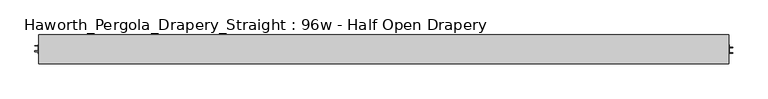
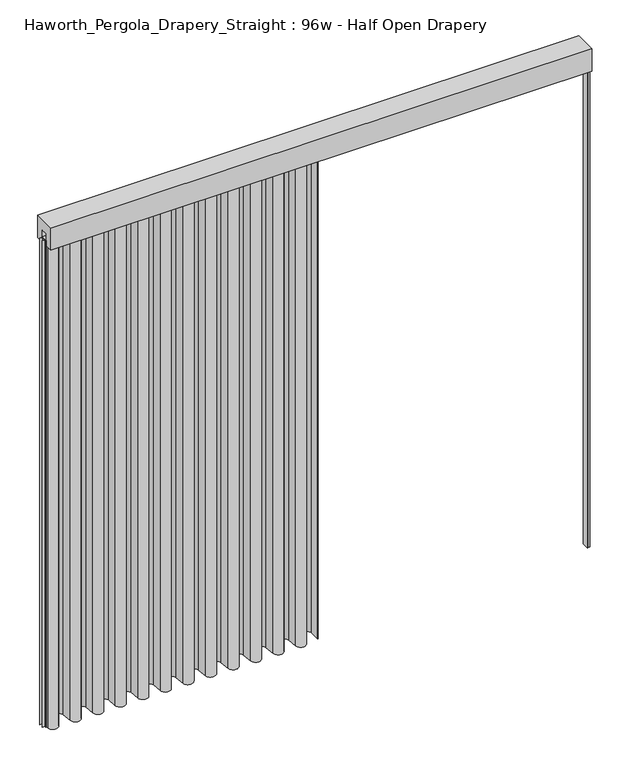
"""IFC4 building model written with IfcOpenShell, lengths in millimetres: furniture geometry, Haworth_Pergola_Drapery_Straight : 96w - Half Open Drapery."""

from ifc_helpers import new_model, si_unit, point, frame, frame_2d, origin, place, context, project, spatial, polyline, circle_curve, trimmed, segment, composite_curve, outline, extrude, source, transform, mapped, element, save


def haworth_pergola_drapery_straight_96w_half_open_drapery_98fae5b1(model_context):
    return source(origin(), model_context, "Body", "SweptSolid", [
        extrude(outline(polyline([(-50.8, 2438.4), (50.8, 2438.4), (50.8, 2331.8390625), (15.2182948, 2331.8390625), (15.2182948, 2388.7001663), (-15.2182948, 2388.7001663), (-15.2182948, 2331.8390625), (-50.8, 2331.8390625), (-50.8, 2438.4)])), frame((-1790.7, 0.0, 0.0), z_axis=(1.0, 0.0, 0.0), x_axis=(0.0, 1.0, 0.0)), (0.0, 0.0, 1.0), 2438.4),
        extrude(outline(composite_curve([segment(polyline([(-1788.7, -20.9840165), (-1788.7, 25.4000008), (-1787.90625, 25.4000008), (-1787.90625, -20.9840165)]), True, "CONTINUOUS"), segment(trimmed(circle_curve(frame_2d((-1765.2970217, -20.9840165)), 22.6092283), [point((-1787.90625, -20.9840165))], [point((-1742.779759, -23.0211916))], True, "CARTESIAN"), True, "CONTINUOUS"), segment(polyline([(-1742.779759, -23.0211916), (-1738.5801015, 23.3983779)]), True, "CONTINUOUS"), segment(trimmed(circle_curve(frame_2d((-1714.5, 21.2198101)), 24.17845), [point((-1738.5801015, 23.3983779))], [point((-1690.4198983, 23.3983756))], False, "CARTESIAN"), True, "CONTINUOUS"), segment(polyline([(-1690.4198983, 23.3983756), (-1686.2298605, -22.9149155)]), True, "CONTINUOUS"), segment(trimmed(circle_curve(frame_2d((-1663.7000023, -20.876603)), 22.621875), [point((-1686.2298605, -22.9149155))], [point((-1641.1701443, -22.9149177))], True, "CARTESIAN"), True, "CONTINUOUS"), segment(polyline([(-1641.1701443, -22.9149177), (-1637.0109007, 23.0579488)]), True, "CONTINUOUS"), segment(trimmed(circle_curve(frame_2d((-1612.9, 20.8765946)), 24.209375), [point((-1637.0109007, 23.0579488))], [point((-1588.7890991, 23.0579465))], False, "CARTESIAN"), True, "CONTINUOUS"), segment(polyline([(-1588.7890991, 23.0579465), (-1584.6298605, -22.9149157)]), True, "CONTINUOUS"), segment(trimmed(circle_curve(frame_2d((-1562.1000023, -20.8766032)), 22.621875), [point((-1584.6298605, -22.9149157))], [point((-1539.5701443, -22.9149178))], True, "CARTESIAN"), True, "CONTINUOUS"), segment(polyline([(-1539.5701443, -22.9149178), (-1535.4109007, 23.0579492)]), True, "CONTINUOUS"), segment(trimmed(circle_curve(frame_2d((-1511.3, 20.876595)), 24.209375), [point((-1535.4109007, 23.0579492))], [point((-1487.1890991, 23.0579469))], False, "CARTESIAN"), True, "CONTINUOUS"), segment(polyline([(-1487.1890991, 23.0579469), (-1483.0298605, -22.9149155)]), True, "CONTINUOUS"), segment(trimmed(circle_curve(frame_2d((-1460.5000023, -20.876603)), 22.621875), [point((-1483.0298605, -22.9149155))], [point((-1437.9701443, -22.9149177))], True, "CARTESIAN"), True, "CONTINUOUS"), segment(polyline([(-1437.9701443, -22.9149177), (-1433.7801015, 23.3983779)]), True, "CONTINUOUS"), segment(trimmed(circle_curve(frame_2d((-1409.7, 21.2198101)), 24.17845), [point((-1433.7801015, 23.3983779))], [point((-1385.6198983, 23.3983756))], False, "CARTESIAN"), True, "CONTINUOUS"), segment(polyline([(-1385.6198983, 23.3983756), (-1381.4298605, -22.9149155)]), True, "CONTINUOUS"), segment(trimmed(circle_curve(frame_2d((-1358.9000023, -20.876603)), 22.621875), [point((-1381.4298605, -22.9149155))], [point((-1336.3701443, -22.9149177))], True, "CARTESIAN"), True, "CONTINUOUS"), segment(polyline([(-1336.3701443, -22.9149177), (-1332.1801015, 23.3983779)]), True, "CONTINUOUS"), segment(trimmed(circle_curve(frame_2d((-1308.1, 21.2198101)), 24.17845), [point((-1332.1801015, 23.3983779))], [point((-1284.0198983, 23.3983756))], False, "CARTESIAN"), True, "CONTINUOUS"), segment(polyline([(-1284.0198983, 23.3983756), (-1279.8298605, -22.9149155)]), True, "CONTINUOUS"), segment(trimmed(circle_curve(frame_2d((-1257.3000023, -20.876603)), 22.621875), [point((-1279.8298605, -22.9149155))], [point((-1234.7701443, -22.9149177))], True, "CARTESIAN"), True, "CONTINUOUS"), segment(polyline([(-1234.7701443, -22.9149177), (-1230.5801015, 23.3983779)]), True, "CONTINUOUS"), segment(trimmed(circle_curve(frame_2d((-1206.5, 21.2198101)), 24.17845), [point((-1230.5801015, 23.3983779))], [point((-1182.4198983, 23.3983756))], False, "CARTESIAN"), True, "CONTINUOUS"), segment(polyline([(-1182.4198983, 23.3983756), (-1178.2298605, -22.9149155)]), True, "CONTINUOUS"), segment(trimmed(circle_curve(frame_2d((-1155.7000023, -20.876603)), 22.621875), [point((-1178.2298605, -22.9149155))], [point((-1133.1701443, -22.9149177))], True, "CARTESIAN"), True, "CONTINUOUS"), segment(polyline([(-1133.1701443, -22.9149177), (-1128.9801015, 23.3983779)]), True, "CONTINUOUS"), segment(trimmed(circle_curve(frame_2d((-1104.9, 21.2198101)), 24.17845), [point((-1128.9801015, 23.3983779))], [point((-1080.8198983, 23.3983756))], False, "CARTESIAN"), True, "CONTINUOUS"), segment(polyline([(-1080.8198983, 23.3983756), (-1076.6298605, -22.9149155)]), True, "CONTINUOUS"), segment(trimmed(circle_curve(frame_2d((-1054.1000023, -20.876603)), 22.621875), [point((-1076.6298605, -22.9149155))], [point((-1031.5701443, -22.9149177))], True, "CARTESIAN"), True, "CONTINUOUS"), segment(polyline([(-1031.5701443, -22.9149177), (-1027.3801015, 23.3983779)]), True, "CONTINUOUS"), segment(trimmed(circle_curve(frame_2d((-1003.3, 21.2198101)), 24.17845), [point((-1027.3801015, 23.3983779))], [point((-979.2198983, 23.3983756))], False, "CARTESIAN"), True, "CONTINUOUS"), segment(polyline([(-979.2198983, 23.3983756), (-975.0298605, -22.9149155)]), True, "CONTINUOUS"), segment(trimmed(circle_curve(frame_2d((-952.5000023, -20.876603)), 22.621875), [point((-975.0298605, -22.9149155))], [point((-929.9701443, -22.9149177))], True, "CARTESIAN"), True, "CONTINUOUS"), segment(polyline([(-929.9701443, -22.9149177), (-925.7801015, 23.3983779)]), True, "CONTINUOUS"), segment(trimmed(circle_curve(frame_2d((-901.7, 21.2198101)), 24.17845), [point((-925.7801015, 23.3983779))], [point((-877.6198983, 23.3983756))], False, "CARTESIAN"), True, "CONTINUOUS"), segment(polyline([(-877.6198983, 23.3983756), (-873.4298605, -22.9149155)]), True, "CONTINUOUS"), segment(trimmed(circle_curve(frame_2d((-850.9000023, -20.876603)), 22.621875), [point((-873.4298605, -22.9149155))], [point((-828.3701443, -22.9149177))], True, "CARTESIAN"), True, "CONTINUOUS"), segment(polyline([(-828.3701443, -22.9149177), (-824.1801015, 23.3983779)]), True, "CONTINUOUS"), segment(trimmed(circle_curve(frame_2d((-800.1, 21.2198101)), 24.17845), [point((-824.1801015, 23.3983779))], [point((-776.0198983, 23.3983756))], False, "CARTESIAN"), True, "CONTINUOUS"), segment(polyline([(-776.0198983, 23.3983756), (-771.8298605, -22.9149155)]), True, "CONTINUOUS"), segment(trimmed(circle_curve(frame_2d((-749.3000023, -20.876603)), 22.621875), [point((-771.8298605, -22.9149155))], [point((-726.7701443, -22.9149177))], True, "CARTESIAN"), True, "CONTINUOUS"), segment(polyline([(-726.7701443, -22.9149177), (-722.5801015, 23.3983779)]), True, "CONTINUOUS"), segment(trimmed(circle_curve(frame_2d((-698.5, 21.2198101)), 24.17845), [point((-722.5801015, 23.3983779))], [point((-674.4198983, 23.3983756))], False, "CARTESIAN"), True, "CONTINUOUS"), segment(polyline([(-674.4198983, 23.3983756), (-670.2298605, -22.9149155)]), True, "CONTINUOUS"), segment(trimmed(circle_curve(frame_2d((-647.7000023, -20.876603)), 22.621875), [point((-670.2298605, -22.9149155))], [point((-625.1701443, -22.9149177))], True, "CARTESIAN"), True, "CONTINUOUS"), segment(polyline([(-625.1701443, -22.9149177), (-620.9906181, 23.2821359)]), True, "CONTINUOUS"), segment(trimmed(circle_curve(frame_2d((-596.9451118, 21.106698)), 24.1437135), [point((-620.9906181, 23.2821359))], [point((-572.8013983, 21.106698))], False, "CARTESIAN"), True, "CONTINUOUS"), segment(polyline([(-572.8013983, 21.106698), (-572.8013983, -25.4000007), (-573.5951483, -25.4000007), (-573.5951483, 21.106698)]), True, "CONTINUOUS"), segment(trimmed(circle_curve(frame_2d((-596.9451118, 21.106698)), 23.3499635), [point((-573.5951483, 21.106698))], [point((-620.2000968, 23.2106161))], True, "CARTESIAN"), True, "CONTINUOUS"), segment(polyline([(-620.2000968, 23.2106161), (-624.3796229, -22.9864375)]), True, "CONTINUOUS"), segment(trimmed(circle_curve(frame_2d((-647.7000023, -20.876603)), 23.415625), [point((-624.3796229, -22.9864375))], [point((-671.0203818, -22.9864352))], False, "CARTESIAN"), True, "CONTINUOUS"), segment(polyline([(-671.0203818, -22.9864352), (-675.2104196, 23.3268558)]), True, "CONTINUOUS"), segment(trimmed(circle_curve(frame_2d((-698.5, 21.2198101)), 23.3847), [point((-675.2104196, 23.3268558))], [point((-721.7895802, 23.3268581))], True, "CARTESIAN"), True, "CONTINUOUS"), segment(polyline([(-721.7895802, 23.3268581), (-725.9796229, -22.9864375)]), True, "CONTINUOUS"), segment(trimmed(circle_curve(frame_2d((-749.3000023, -20.876603)), 23.415625), [point((-725.9796229, -22.9864375))], [point((-772.6203818, -22.9864352))], False, "CARTESIAN"), True, "CONTINUOUS"), segment(polyline([(-772.6203818, -22.9864352), (-776.8104196, 23.3268558)]), True, "CONTINUOUS"), segment(trimmed(circle_curve(frame_2d((-800.1, 21.2198101)), 23.3847), [point((-776.8104196, 23.3268558))], [point((-823.3895802, 23.3268581))], True, "CARTESIAN"), True, "CONTINUOUS"), segment(polyline([(-823.3895802, 23.3268581), (-827.5796229, -22.9864375)]), True, "CONTINUOUS"), segment(trimmed(circle_curve(frame_2d((-850.9000023, -20.876603)), 23.415625), [point((-827.5796229, -22.9864375))], [point((-874.2203818, -22.9864352))], False, "CARTESIAN"), True, "CONTINUOUS"), segment(polyline([(-874.2203818, -22.9864352), (-878.4104196, 23.3268558)]), True, "CONTINUOUS"), segment(trimmed(circle_curve(frame_2d((-901.7, 21.2198101)), 23.3847), [point((-878.4104196, 23.3268558))], [point((-924.9895802, 23.3268581))], True, "CARTESIAN"), True, "CONTINUOUS"), segment(polyline([(-924.9895802, 23.3268581), (-929.1796229, -22.9864375)]), True, "CONTINUOUS"), segment(trimmed(circle_curve(frame_2d((-952.5000023, -20.876603)), 23.415625), [point((-929.1796229, -22.9864375))], [point((-975.8203818, -22.9864352))], False, "CARTESIAN"), True, "CONTINUOUS"), segment(polyline([(-975.8203818, -22.9864352), (-980.0104196, 23.3268558)]), True, "CONTINUOUS"), segment(trimmed(circle_curve(frame_2d((-1003.3, 21.2198101)), 23.3847), [point((-980.0104196, 23.3268558))], [point((-1026.5895802, 23.3268581))], True, "CARTESIAN"), True, "CONTINUOUS"), segment(polyline([(-1026.5895802, 23.3268581), (-1030.7796229, -22.9864375)]), True, "CONTINUOUS"), segment(trimmed(circle_curve(frame_2d((-1054.1000023, -20.876603)), 23.415625), [point((-1030.7796229, -22.9864375))], [point((-1077.4203818, -22.9864352))], False, "CARTESIAN"), True, "CONTINUOUS"), segment(polyline([(-1077.4203818, -22.9864352), (-1081.6104196, 23.3268558)]), True, "CONTINUOUS"), segment(trimmed(circle_curve(frame_2d((-1104.9, 21.2198101)), 23.3847), [point((-1081.6104196, 23.3268558))], [point((-1128.1895802, 23.3268581))], True, "CARTESIAN"), True, "CONTINUOUS"), segment(polyline([(-1128.1895802, 23.3268581), (-1132.3796229, -22.9864375)]), True, "CONTINUOUS"), segment(trimmed(circle_curve(frame_2d((-1155.7000023, -20.876603)), 23.415625), [point((-1132.3796229, -22.9864375))], [point((-1179.0203818, -22.9864352))], False, "CARTESIAN"), True, "CONTINUOUS"), segment(polyline([(-1179.0203818, -22.9864352), (-1183.2104196, 23.3268558)]), True, "CONTINUOUS"), segment(trimmed(circle_curve(frame_2d((-1206.5, 21.2198101)), 23.3847), [point((-1183.2104196, 23.3268558))], [point((-1229.7895802, 23.3268581))], True, "CARTESIAN"), True, "CONTINUOUS"), segment(polyline([(-1229.7895802, 23.3268581), (-1233.9796229, -22.9864375)]), True, "CONTINUOUS"), segment(trimmed(circle_curve(frame_2d((-1257.3000023, -20.876603)), 23.415625), [point((-1233.9796229, -22.9864375))], [point((-1280.6203818, -22.9864352))], False, "CARTESIAN"), True, "CONTINUOUS"), segment(polyline([(-1280.6203818, -22.9864352), (-1284.8104196, 23.3268558)]), True, "CONTINUOUS"), segment(trimmed(circle_curve(frame_2d((-1308.1, 21.2198101)), 23.3847), [point((-1284.8104196, 23.3268558))], [point((-1331.3895802, 23.3268581))], True, "CARTESIAN"), True, "CONTINUOUS"), segment(polyline([(-1331.3895802, 23.3268581), (-1335.5796229, -22.9864375)]), True, "CONTINUOUS"), segment(trimmed(circle_curve(frame_2d((-1358.9000023, -20.876603)), 23.415625), [point((-1335.5796229, -22.9864375))], [point((-1382.2203818, -22.9864352))], False, "CARTESIAN"), True, "CONTINUOUS"), segment(polyline([(-1382.2203818, -22.9864352), (-1386.4104196, 23.3268558)]), True, "CONTINUOUS"), segment(trimmed(circle_curve(frame_2d((-1409.7, 21.2198101)), 23.3847), [point((-1386.4104196, 23.3268558))], [point((-1432.9895802, 23.3268581))], True, "CARTESIAN"), True, "CONTINUOUS"), segment(polyline([(-1432.9895802, 23.3268581), (-1437.1796229, -22.9864375)]), True, "CONTINUOUS"), segment(trimmed(circle_curve(frame_2d((-1460.5000023, -20.876603)), 23.415625), [point((-1437.1796229, -22.9864375))], [point((-1483.8203818, -22.9864352))], False, "CARTESIAN"), True, "CONTINUOUS"), segment(polyline([(-1483.8203818, -22.9864352), (-1487.9796205, 22.9864271)]), True, "CONTINUOUS"), segment(trimmed(circle_curve(frame_2d((-1511.3, 20.876595)), 23.415625), [point((-1487.9796205, 22.9864271))], [point((-1534.6203794, 22.9864294))], True, "CARTESIAN"), True, "CONTINUOUS"), segment(polyline([(-1534.6203794, 22.9864294), (-1538.7796229, -22.9864377)]), True, "CONTINUOUS"), segment(trimmed(circle_curve(frame_2d((-1562.1000023, -20.8766032)), 23.415625), [point((-1538.7796229, -22.9864377))], [point((-1585.4203818, -22.9864354))], False, "CARTESIAN"), True, "CONTINUOUS"), segment(polyline([(-1585.4203818, -22.9864354), (-1589.5796205, 22.9864268)]), True, "CONTINUOUS"), segment(trimmed(circle_curve(frame_2d((-1612.9, 20.8765946)), 23.415625), [point((-1589.5796205, 22.9864268))], [point((-1636.2203794, 22.986429))], True, "CARTESIAN"), True, "CONTINUOUS"), segment(polyline([(-1636.2203794, 22.986429), (-1640.3796229, -22.9864375)]), True, "CONTINUOUS"), segment(trimmed(circle_curve(frame_2d((-1663.7000023, -20.876603)), 23.415625), [point((-1640.3796229, -22.9864375))], [point((-1687.0203818, -22.9864352))], False, "CARTESIAN"), True, "CONTINUOUS"), segment(polyline([(-1687.0203818, -22.9864352), (-1691.2104196, 23.3268558)]), True, "CONTINUOUS"), segment(trimmed(circle_curve(frame_2d((-1714.5, 21.2198101)), 23.3847), [point((-1691.2104196, 23.3268558))], [point((-1737.7895802, 23.3268581))], True, "CARTESIAN"), True, "CONTINUOUS"), segment(polyline([(-1737.7895802, 23.3268581), (-1741.9892377, -23.0927114)]), True, "CONTINUOUS"), segment(trimmed(circle_curve(frame_2d((-1765.2970217, -20.9840165)), 23.4029783), [point((-1741.9892377, -23.0927114))], [point((-1788.7, -20.9840165))], False, "CARTESIAN"), True, "CONTINUOUS")], self_intersect=False)), frame((0.0, 0.0, 38.1), z_axis=(0.0, 0.0, 1.0), x_axis=(1.0, 0.0, 0.0)), (0.0, 0.0, 1.0), 2305.05),
        extrude(outline(polyline([(-1790.7, -15.2249995), (-1790.7, 15.2249996), (647.7, 15.2249996), (647.7, -15.2249995), (-1790.7, -15.2249995)])), frame((0.0, 0.0, 2355.85), z_axis=(0.0, 0.0, 1.0), x_axis=(1.0, 0.0, 0.0)), (0.0, 0.0, 1.0), 1.7500385),
        extrude(outline(polyline([(647.7, -15.2249996), (647.7, 15.2249995), (649.4500001, 15.2249995), (649.4500001, 7.8249998), (661.0999997, 7.8249998), (661.0999997, 4.8250001), (649.4500001, 4.8250001), (649.4500001, -11.8250005), (660.9499997, -11.8250005), (660.9499997, -13.3999997), (649.4500001, -13.3999997), (649.4500001, -15.2249996), (647.7, -15.2249996)])), frame((0.0, 0.0, 38.1), z_axis=(0.0, 0.0, 1.0), x_axis=(1.0, 0.0, 0.0)), (0.0, 0.0, 1.0), 2317.75),
        extrude(outline(polyline([(-1790.7, 15.2249996), (-1790.7, -15.2249995), (-1792.4500001, -15.2249995), (-1792.4500001, -7.8249998), (-1804.0999997, -7.8249998), (-1804.0999997, -4.8250001), (-1792.4500001, -4.8250001), (-1792.4500001, 11.8250005), (-1803.9499997, 11.8250005), (-1803.9499997, 13.3999997), (-1792.4500001, 13.3999997), (-1792.4500001, 15.2249996), (-1790.7, 15.2249996)])), frame((0.0, 0.0, 38.1), z_axis=(0.0, 0.0, 1.0), x_axis=(1.0, 0.0, 0.0)), (0.0, 0.0, 1.0), 2317.75),
        extrude(outline(composite_curve([segment(trimmed(circle_curve(frame_2d((-571.5, 0.0)), 6.0), [point((-577.5, 0.0))], [point((-565.5, 0.0))], False, "CARTESIAN"), True, "CONTINUOUS"), segment(trimmed(circle_curve(frame_2d((-571.5, 0.0)), 6.0), [point((-565.5, 0.0))], [point((-577.5, 0.0))], False, "CARTESIAN"), True, "CONTINUOUS")], self_intersect=False)), frame((0.0, 0.0, 2319.1390625), z_axis=(0.0, 0.0, 1.0), x_axis=(1.0, 0.0, 0.0)), (0.0, 0.0, 1.0), 36.7109375),
    ])


if __name__ == "__main__":
    model = new_model("IFC4")
    model_context = context("Model", 3, world=origin())
    ifc_project = project(units=[si_unit("LENGTHUNIT", "METRE", prefix="MILLI")], contexts=[model_context])
    site = spatial("IfcSite", under=ifc_project)
    building = spatial("IfcBuilding", under=site)
    placement = place(None, origin())
    haworth_pergola_drapery_straight_96w_half_open_drapery_shape = haworth_pergola_drapery_straight_96w_half_open_drapery_98fae5b1(model_context)
    element("IfcFurniture", 1, ObjectType="Haworth_Pergola_Drapery_Straight : 96w - Half Open Drapery", at=placement, inside=building, context=model_context, shape_type="MappedRepresentation", body=[
        mapped(haworth_pergola_drapery_straight_96w_half_open_drapery_shape, transform((0.0, 0.0, 0.0), x_axis=(1.0, 0.0, 0.0), y_axis=(0.0, 1.0, 0.0), z_axis=(0.0, 0.0, 1.0))),
    ])
    save(model, "model.ifc")
